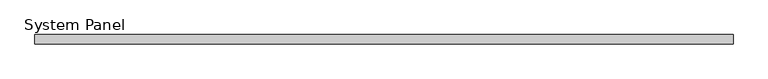
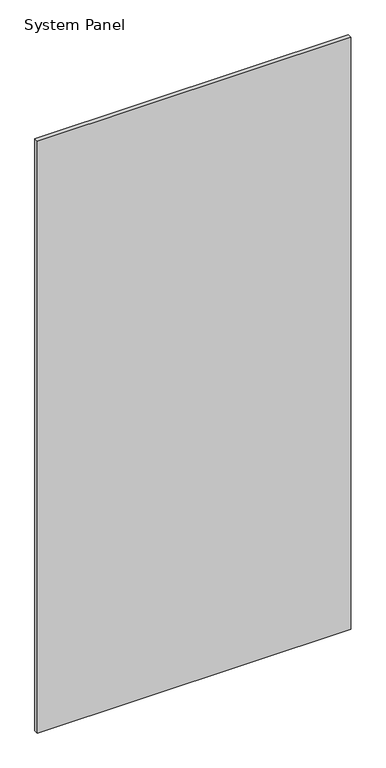
"""IFC4 building model written with IfcOpenShell, lengths in millimetres: plate geometry, System Panel."""

from ifc_helpers import new_model, si_unit, origin, origin_with_axes, place, context, project, spatial, polyline, outline, extrude, source, transform, mapped, element, save


def system_panel_3662abcd(model_context):
    return source(origin(), model_context, "Body", "SweptSolid", [
        extrude(outline(polyline([(597.5, -8.0), (-597.5, -8.0), (-597.5, 8.0), (597.5, 8.0), (597.5, -8.0)])), origin_with_axes(), (0.0, 0.0, 1.0), 2385.0),
    ])


if __name__ == "__main__":
    model = new_model("IFC4")
    model_context = context("Model", 3, world=origin())
    ifc_project = project(units=[si_unit("LENGTHUNIT", "METRE", prefix="MILLI")], contexts=[model_context])
    site = spatial("IfcSite", under=ifc_project)
    building = spatial("IfcBuilding", under=site)
    placement = place(None, origin())
    system_panel_shape = system_panel_3662abcd(model_context)
    element("IfcPlate", 1, ObjectType="System Panel", at=placement, inside=building, context=model_context, shape_type="MappedRepresentation", body=[
        mapped(system_panel_shape, transform((0.0, 0.0, 0.0), x_axis=(1.0, 0.0, 0.0), y_axis=(0.0, 1.0, 0.0), z_axis=(0.0, 0.0, 1.0))),
    ])
    save(model, "model.ifc")
